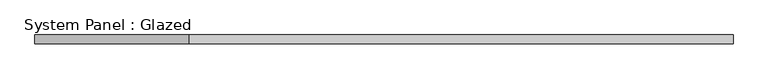
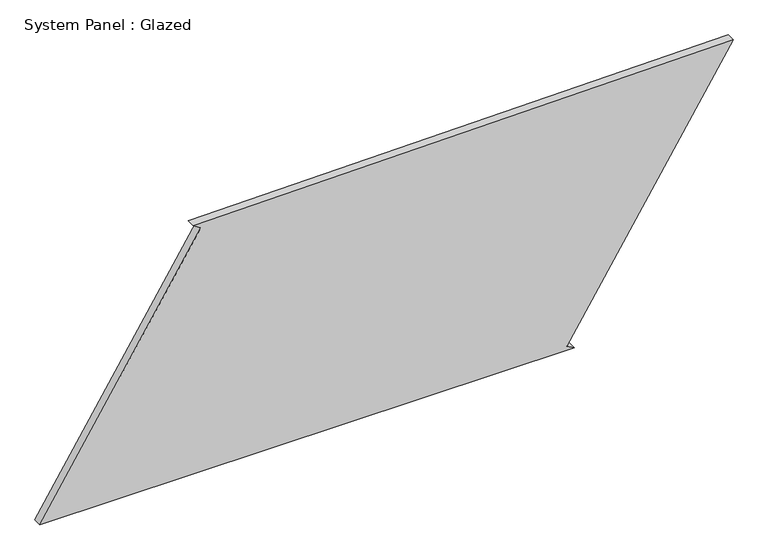
"""IFC4 building model written with IfcOpenShell, lengths in millimetres: plate geometry, System Panel : Glazed."""

from ifc_helpers import new_model, si_unit, frame, origin, place, context, project, spatial, polyline, outline, extrude, source, transform, mapped, element, save


def system_panel_glazed_16473f07(model_context):
    return source(origin(), model_context, "Body", "SweptSolid", [
        extrude(outline(polyline([(0.0, -998.3801885), (0.0, 541.0693364), (13.2598459, 519.8755522), (778.0744664, 998.3801885), (755.8086161, -556.550055), (742.5806117, -535.3363825), (0.0, -998.3801885)])), frame((0.0, -49.5, 0.0), z_axis=(0.0, 1.0, 0.0), x_axis=(0.0, 0.0, 1.0)), (0.0, 0.0, 1.0), 25.0),
    ])


if __name__ == "__main__":
    model = new_model("IFC4")
    model_context = context("Model", 3, world=origin())
    ifc_project = project(units=[si_unit("LENGTHUNIT", "METRE", prefix="MILLI")], contexts=[model_context])
    site = spatial("IfcSite", under=ifc_project)
    building = spatial("IfcBuilding", under=site)
    placement = place(None, origin())
    system_panel_glazed_shape = system_panel_glazed_16473f07(model_context)
    element("IfcPlate", 1, ObjectType="System Panel : Glazed", at=placement, inside=building, context=model_context, shape_type="MappedRepresentation", body=[
        mapped(system_panel_glazed_shape, transform((0.0, 0.0, 0.0), x_axis=(1.0, 0.0, 0.0), y_axis=(0.0, 1.0, 0.0), z_axis=(0.0, 0.0, 1.0))),
    ])
    save(model, "model.ifc")
